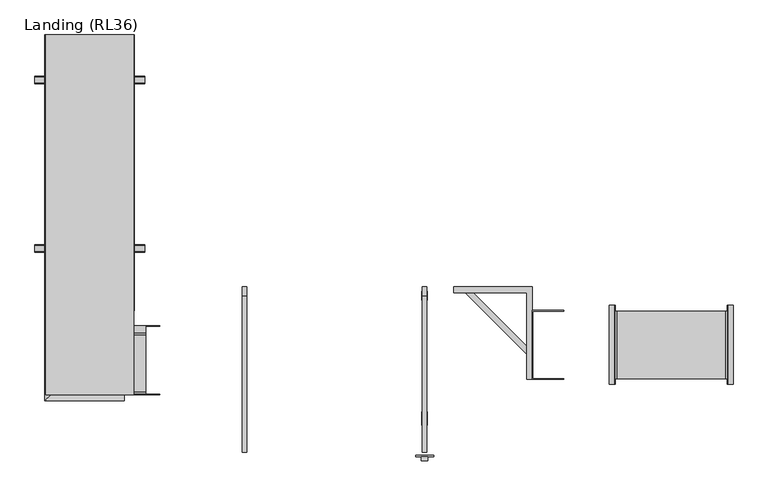
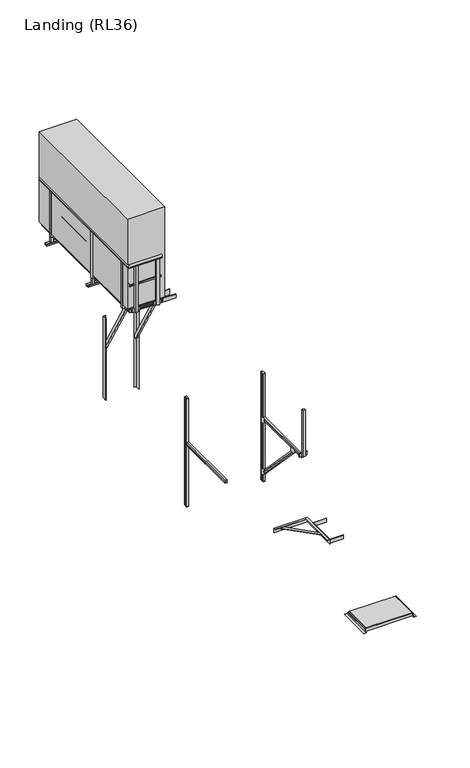
"""IFC4 building model written with IfcOpenShell, lengths in millimetres: proxy geometry, Landing (RL36)."""

from ifc_helpers import new_model, si_unit, frame, origin, origin_with_axes, place, context, project, spatial, polyline, circle_curve, ellipse_curve, outline, extrude, faceted_brep, source, transform, mapped, element, save
from ifc_brep_helpers import plane_surface, cylinder_surface, advanced_brep


def landing_rl36_e9280d30(model_context):
    return source(origin(), model_context, "Body", "SolidModel", [
        extrude(outline(polyline([(2743.3331634, 7.5), (2743.3331634, -593.5), (1743.3331634, -593.5), (1743.3331634, 7.5), (2743.3331634, 7.5)]), holes=[polyline([(1781.3331634, -30.5), (1781.3331634, -555.5), (2224.3331634, -555.5), (2224.3331634, -30.5), (1781.3331634, -30.5)]), polyline([(2705.3331634, -30.5), (2262.3331634, -30.5), (2262.3331634, -555.5), (2705.3331634, -555.5), (2705.3331634, -30.5)])]), origin_with_axes(), (0.0, 0.0, 1.0), 58.0),
        faceted_brep([(1740.3331634, -643.5, 3.0), (1743.3331634, -643.5, 3.0), (1743.3331634, -596.5, 50.0), (1740.3331634, -596.5, 50.0), (1743.3331634, 57.5, 3.0), (1740.3331634, 57.5, 3.0), (1740.3331634, 10.5, 50.0), (1743.3331634, 10.5, 50.0), (1693.3331634, 57.5, 0.0), (1693.3331634, 57.5, 3.0), (1743.3331634, 57.5, 0.0), (1693.3331634, -643.5, 0.0), (1743.3331634, -643.5, 0.0), (1693.3331634, -643.5, 3.0)], [[[0, 1, 2, 3]], [[4, 5, 6, 7]], [[8, 9, 5, 4, 10]], [[11, 12, 1, 0, 13]], [[9, 8, 11, 13]], [[5, 9, 13, 0]], [[5, 0, 3, 6]], [[6, 3, 2, 7]], [[12, 10, 4, 7, 2, 1]], [[8, 10, 12, 11]]]),
        faceted_brep([(2743.3331634, -643.5, 3.0), (2746.3331634, -643.5, 3.0), (2746.3331634, -596.5, 50.0), (2743.3331634, -596.5, 50.0), (2746.3331634, 57.5, 3.0), (2743.3331634, 57.5, 3.0), (2743.3331634, 10.5, 50.0), (2746.3331634, 10.5, 50.0), (2793.3331634, 57.5, 0.0), (2743.3331634, 57.5, 0.0), (2793.3331634, 57.5, 3.0), (2793.3331634, -643.5, 0.0), (2793.3331634, -643.5, 3.0), (2743.3331634, -643.5, 0.0)], [[[0, 1, 2, 3]], [[4, 5, 6, 7]], [[8, 9, 5, 4, 10]], [[11, 12, 1, 0, 13]], [[9, 8, 11, 13]], [[9, 13, 0, 3, 6, 5]], [[6, 3, 2, 7]], [[1, 4, 7, 2]], [[10, 4, 1, 12]], [[8, 10, 12, 11]]]),
        extrude(outline(polyline([(1761.3331634, 7.5), (2725.3331634, 7.5), (2725.3331634, -593.5), (1761.3331634, -593.5), (1761.3331634, 7.5)])), frame((0.0, 0.0, 58.0), z_axis=(0.0, 0.0, 1.0), x_axis=(1.0, 0.0, 0.0)), (0.0, 0.0, 1.0), 18.5),
        extrude(outline(polyline([(2725.3331634, 7.5), (2743.3331634, 7.5), (2743.3331634, -593.5), (2725.3331634, -593.5), (2725.3331634, 7.5)])), frame((0.0, 0.0, 58.0), z_axis=(0.0, 0.0, 1.0), x_axis=(1.0, 0.0, 0.0)), (0.0, 0.0, 1.0), 18.5),
        extrude(outline(polyline([(1743.3331634, 7.5), (1761.3331634, 7.5), (1761.3331634, -593.5), (1743.3331634, -593.5), (1743.3331634, 7.5)])), frame((0.0, 0.0, 58.0), z_axis=(0.0, 0.0, 1.0), x_axis=(1.0, 0.0, 0.0)), (0.0, 0.0, 1.0), 18.5),
        extrude(outline(polyline([(1287.548134, -599.5), (1007.548134, -599.5), (1007.548134, 13.5), (1287.548134, 13.5), (1287.548134, 7.5), (1013.548134, 7.5), (1013.548134, -593.5), (1287.548134, -593.5), (1287.548134, -599.5)])), frame((0.0, 0.0, 2220.0), z_axis=(0.0, 0.0, 1.0), x_axis=(1.0, 0.0, 0.0)), (0.0, 0.0, 1.0), 80.0),
        extrude(outline(polyline([(-56.0, 0.0), (-6.0, 0.0), (-6.0, -50.0000001), (-12.0, -50.0000001), (-12.0, -6.0), (-56.0, -6.0), (-56.0, 0.0)])), frame((1002.233559, -349.6854249, 2300.0), z_axis=(-0.707106781186546, 0.707106781186549, 0.0), x_axis=(0.0, 0.0, 1.0)), (0.0, 0.0, 1.0), 800.0),
        faceted_brep([(1007.548134, -599.5, 2300.0), (957.548134, -599.5, 2300.0), (957.548134, -599.5, 2294.0), (1001.548134, -599.5, 2294.0), (1001.548134, -599.5, 2200.0), (1007.548134, -599.5, 2200.0), (1007.548134, 222.0, 2300.0), (307.548134, 222.0, 2300.0), (307.548134, 172.0, 2300.0), (957.548134, 172.0, 2300.0), (957.548134, 172.0, 2294.0), (307.548134, 172.0, 2294.0), (307.548134, 216.0, 2294.0), (1001.548134, 216.0, 2294.0), (1001.548134, 216.0, 2200.0), (307.548134, 216.0, 2200.0), (307.548134, 222.0, 2200.0), (1007.548134, 222.0, 2200.0)], [[[0, 1, 2, 3, 4, 5]], [[1, 0, 6, 7, 8, 9]], [[2, 1, 9, 10]], [[3, 2, 10, 11, 12, 13]], [[4, 3, 13, 14]], [[5, 4, 14, 15, 16, 17]], [[0, 5, 17, 6]], [[7, 16, 15, 12, 11, 8]], [[10, 9, 8, 11]], [[14, 13, 12, 15]], [[6, 17, 16, 7]]]),
        extrude(outline(polyline([(-2675.1083547, -748.0), (-2675.1083547, -786.5), (-2733.6083547, -786.5), (-2733.6083547, -748.0), (-2675.1083547, -748.0)])), frame((0.0, 0.0, 8909.0), z_axis=(0.0, 0.0, 1.0), x_axis=(1.0, 0.0, 0.0)), (0.0, 0.0, 1.0), 1035.5),
        extrude(outline(polyline([(-2624.3583547, -748.0), (-2784.3583547, -748.0), (-2784.3583547, -738.0), (-2624.3583547, -738.0), (-2624.3583547, -748.0)])), frame((0.0, 0.0, 8904.0), z_axis=(0.0, 0.0, 1.0), x_axis=(1.0, 0.0, 0.0)), (0.0, 0.0, 1.0), 80.0),
        extrude(outline(polyline([(-3125.1083547, -748.0), (-3125.1083547, -786.5), (-3183.6083547, -786.5), (-3183.6083547, -748.0), (-3125.1083547, -748.0)])), frame((0.0, 0.0, 8909.0), z_axis=(0.0, 0.0, 1.0), x_axis=(1.0, 0.0, 0.0)), (0.0, 0.0, 1.0), 1035.5),
        extrude(outline(polyline([(-3074.3583547, -748.0), (-3234.3583547, -748.0), (-3234.3583547, -738.0), (-3074.3583547, -738.0), (-3074.3583547, -748.0)])), frame((0.0, 0.0, 8904.0), z_axis=(0.0, 0.0, 1.0), x_axis=(1.0, 0.0, 0.0)), (0.0, 0.0, 1.0), 80.0),
        extrude(outline(polyline([(-2634.3583547, 2161.25), (-2634.3583547, 2122.75), (-3224.3583547, 2122.75), (-3224.3583547, 2161.25), (-2634.3583547, 2161.25)])), frame((0.0, 0.0, 8925.5), z_axis=(0.0, 0.0, 1.0), x_axis=(1.0, 0.0, 0.0)), (0.0, 0.0, 1.0), 58.5),
        extrude(outline(polyline([(-3224.3583547, 2222.0), (-3224.3583547, 2062.0), (-3234.3583547, 2062.0), (-3234.3583547, 2222.0), (-3224.3583547, 2222.0)])), frame((0.0, 0.0, 8904.0), z_axis=(0.0, 0.0, 1.0), x_axis=(1.0, 0.0, 0.0)), (0.0, 0.0, 1.0), 80.0),
        extrude(outline(polyline([(-2624.3583547, 2222.0), (-2624.3583547, 2062.0), (-2634.3583547, 2062.0), (-2634.3583547, 2222.0), (-2624.3583547, 2222.0)])), frame((0.0, 0.0, 8904.0), z_axis=(0.0, 0.0, 1.0), x_axis=(1.0, 0.0, 0.0)), (0.0, 0.0, 1.0), 80.0),
        extrude(outline(polyline([(-2634.3583547, 1521.25), (-2634.3583547, 1482.75), (-3224.3583547, 1482.75), (-3224.3583547, 1521.25), (-2634.3583547, 1521.25)])), frame((0.0, 0.0, 8925.5), z_axis=(0.0, 0.0, 1.0), x_axis=(1.0, 0.0, 0.0)), (0.0, 0.0, 1.0), 58.5),
        extrude(outline(polyline([(-3224.3583547, 1582.0), (-3224.3583547, 1422.0), (-3234.3583547, 1422.0), (-3234.3583547, 1582.0), (-3224.3583547, 1582.0)])), frame((0.0, 0.0, 8904.0), z_axis=(0.0, 0.0, 1.0), x_axis=(1.0, 0.0, 0.0)), (0.0, 0.0, 1.0), 80.0),
        extrude(outline(polyline([(-2624.3583547, 1582.0), (-2624.3583547, 1422.0), (-2634.3583547, 1422.0), (-2634.3583547, 1582.0), (-2624.3583547, 1582.0)])), frame((0.0, 0.0, 8904.0), z_axis=(0.0, 0.0, 1.0), x_axis=(1.0, 0.0, 0.0)), (0.0, 0.0, 1.0), 80.0),
        extrude(outline(polyline([(-3282.8583547, -567.25), (-3321.3583547, -567.25), (-3321.3583547, -508.75), (-3282.8583547, -508.75), (-3282.8583547, -567.25)])), frame((0.0, 0.0, 8909.0), z_axis=(0.0, 0.0, 1.0), x_axis=(1.0, 0.0, 0.0)), (0.0, 0.0, 1.0), 1035.5),
        extrude(outline(polyline([(-3282.8583547, -618.0), (-3282.8583547, -458.0), (-3272.8583547, -458.0), (-3272.8583547, -618.0), (-3282.8583547, -618.0)])), frame((0.0, 0.0, 8904.0), z_axis=(0.0, 0.0, 1.0), x_axis=(1.0, 0.0, 0.0)), (0.0, 0.0, 1.0), 80.0),
        extrude(outline(polyline([(-3282.8583547, 2032.75), (-3321.3583547, 2032.75), (-3321.3583547, 2091.25), (-3282.8583547, 2091.25), (-3282.8583547, 2032.75)])), frame((0.0, 0.0, 8909.0), z_axis=(0.0, 0.0, 1.0), x_axis=(1.0, 0.0, 0.0)), (0.0, 0.0, 1.0), 1035.5),
        extrude(outline(polyline([(-3282.8583547, 1982.0), (-3282.8583547, 2142.0), (-3272.8583547, 2142.0), (-3272.8583547, 1982.0), (-3282.8583547, 1982.0)])), frame((0.0, 0.0, 8904.0), z_axis=(0.0, 0.0, 1.0), x_axis=(1.0, 0.0, 0.0)), (0.0, 0.0, 1.0), 80.0),
        extrude(outline(polyline([(-2575.8583547, 2091.25), (-2537.3583547, 2091.25), (-2537.3583547, 2032.75), (-2575.8583547, 2032.75), (-2575.8583547, 2091.25)])), frame((0.0, 0.0, 8909.0), z_axis=(0.0, 0.0, 1.0), x_axis=(1.0, 0.0, 0.0)), (0.0, 0.0, 1.0), 1035.5),
        extrude(outline(polyline([(-2575.8583547, 2142.0), (-2575.8583547, 1982.0), (-2585.8583547, 1982.0), (-2585.8583547, 2142.0), (-2575.8583547, 2142.0)])), frame((0.0, 0.0, 8904.0), z_axis=(0.0, 0.0, 1.0), x_axis=(1.0, 0.0, 0.0)), (0.0, 0.0, 1.0), 80.0),
        extrude(outline(polyline([(590.5, 8790.0), (594.5, 8790.0), (594.5, 8750.0), (529.5, 8750.0), (529.5, 8790.0), (533.5, 8790.0), (533.5, 8754.0), (590.5, 8754.0), (590.5, 8790.0)])), frame((-3416.8583547, 0.0, 0.0), z_axis=(1.0, 0.0, 0.0), x_axis=(0.0, 1.0, 0.0)), (0.0, 0.0, 1.0), 975.0),
        extrude(outline(polyline([(2090.5, 8790.0), (2094.5, 8790.0), (2094.5, 8750.0), (2029.5, 8750.0), (2029.5, 8790.0), (2033.5, 8790.0), (2033.5, 8754.0), (2090.5, 8754.0), (2090.5, 8790.0)])), frame((-3416.8583547, 0.0, 0.0), z_axis=(1.0, 0.0, 0.0), x_axis=(0.0, 1.0, 0.0)), (0.0, 0.0, 1.0), 975.0),
        extrude(outline(polyline([(-3316.8583547, 589.0), (-3282.8583547, 589.0), (-3282.8583547, 535.0), (-3316.8583547, 535.0), (-3316.8583547, 589.0)])), frame((0.0, 0.0, 8754.0), z_axis=(0.0, 0.0, 1.0), x_axis=(1.0, 0.0, 0.0)), (0.0, 0.0, 1.0), 230.0),
        extrude(outline(polyline([(-2575.8583547, 535.0), (-2575.8583547, 589.0), (-2541.8583547, 589.0), (-2541.8583547, 535.0), (-2575.8583547, 535.0)])), frame((0.0, 0.0, 8754.0), z_axis=(0.0, 0.0, 1.0), x_axis=(1.0, 0.0, 0.0)), (0.0, 0.0, 1.0), 230.0),
        extrude(outline(polyline([(-3316.8583547, 2035.0), (-3316.8583547, 2089.0), (-3282.8583547, 2089.0), (-3282.8583547, 2035.0), (-3316.8583547, 2035.0)])), frame((0.0, 0.0, 8754.0), z_axis=(0.0, 0.0, 1.0), x_axis=(1.0, 0.0, 0.0)), (0.0, 0.0, 1.0), 230.0),
        extrude(outline(polyline([(-2575.8583547, 2089.0), (-2541.8583547, 2089.0), (-2541.8583547, 2035.0), (-2575.8583547, 2035.0), (-2575.8583547, 2089.0)])), frame((0.0, 0.0, 8754.0), z_axis=(0.0, 0.0, 1.0), x_axis=(1.0, 0.0, 0.0)), (0.0, 0.0, 1.0), 230.0),
        extrude(outline(polyline([(-2634.3583547, 881.25), (-2634.3583547, 842.75), (-3224.3583547, 842.75), (-3224.3583547, 881.25), (-2634.3583547, 881.25)])), frame((0.0, 0.0, 8925.5), z_axis=(0.0, 0.0, 1.0), x_axis=(1.0, 0.0, 0.0)), (0.0, 0.0, 1.0), 58.5),
        extrude(outline(polyline([(-3224.3583547, 942.0), (-3224.3583547, 782.0), (-3234.3583547, 782.0), (-3234.3583547, 942.0), (-3224.3583547, 942.0)])), frame((0.0, 0.0, 8904.0), z_axis=(0.0, 0.0, 1.0), x_axis=(1.0, 0.0, 0.0)), (0.0, 0.0, 1.0), 80.0),
        extrude(outline(polyline([(-2624.3583547, 942.0), (-2624.3583547, 782.0), (-2634.3583547, 782.0), (-2634.3583547, 942.0), (-2624.3583547, 942.0)])), frame((0.0, 0.0, 8904.0), z_axis=(0.0, 0.0, 1.0), x_axis=(1.0, 0.0, 0.0)), (0.0, 0.0, 1.0), 80.0),
        extrude(outline(polyline([(-3282.8583547, 532.75), (-3321.3583547, 532.75), (-3321.3583547, 591.25), (-3282.8583547, 591.25), (-3282.8583547, 532.75)])), frame((0.0, 0.0, 8909.0), z_axis=(0.0, 0.0, 1.0), x_axis=(1.0, 0.0, 0.0)), (0.0, 0.0, 1.0), 1035.5),
        extrude(outline(polyline([(-3282.8583547, 482.0), (-3282.8583547, 642.0), (-3272.8583547, 642.0), (-3272.8583547, 482.0), (-3282.8583547, 482.0)])), frame((0.0, 0.0, 8904.0), z_axis=(0.0, 0.0, 1.0), x_axis=(1.0, 0.0, 0.0)), (0.0, 0.0, 1.0), 80.0),
        extrude(outline(polyline([(-2575.8583547, 591.25), (-2537.3583547, 591.25), (-2537.3583547, 532.75), (-2575.8583547, 532.75), (-2575.8583547, 591.25)])), frame((0.0, 0.0, 8909.0), z_axis=(0.0, 0.0, 1.0), x_axis=(1.0, 0.0, 0.0)), (0.0, 0.0, 1.0), 1035.5),
        extrude(outline(polyline([(-2575.8583547, 642.0), (-2575.8583547, 482.0), (-2585.8583547, 482.0), (-2585.8583547, 642.0), (-2575.8583547, 642.0)])), frame((0.0, 0.0, 8904.0), z_axis=(0.0, 0.0, 1.0), x_axis=(1.0, 0.0, 0.0)), (0.0, 0.0, 1.0), 80.0),
        extrude(outline(polyline([(-2634.3583547, 241.25), (-2634.3583547, 202.75), (-3224.3583547, 202.75), (-3224.3583547, 241.25), (-2634.3583547, 241.25)])), frame((0.0, 0.0, 8925.5), z_axis=(0.0, 0.0, 1.0), x_axis=(1.0, 0.0, 0.0)), (0.0, 0.0, 1.0), 58.5),
        extrude(outline(polyline([(-3224.3583547, 302.0), (-3224.3583547, 142.0), (-3234.3583547, 142.0), (-3234.3583547, 302.0), (-3224.3583547, 302.0)])), frame((0.0, 0.0, 8904.0), z_axis=(0.0, 0.0, 1.0), x_axis=(1.0, 0.0, 0.0)), (0.0, 0.0, 1.0), 80.0),
        extrude(outline(polyline([(-2624.3583547, 302.0), (-2624.3583547, 142.0), (-2634.3583547, 142.0), (-2634.3583547, 302.0), (-2624.3583547, 302.0)])), frame((0.0, 0.0, 8904.0), z_axis=(0.0, 0.0, 1.0), x_axis=(1.0, 0.0, 0.0)), (0.0, 0.0, 1.0), 80.0),
        extrude(outline(polyline([(-2634.3583547, -398.75), (-2634.3583547, -437.25), (-3224.3583547, -437.25), (-3224.3583547, -398.75), (-2634.3583547, -398.75)])), frame((0.0, 0.0, 8925.5), z_axis=(0.0, 0.0, 1.0), x_axis=(1.0, 0.0, 0.0)), (0.0, 0.0, 1.0), 58.5),
        extrude(outline(polyline([(-3224.3583547, -338.0), (-3224.3583547, -498.0), (-3234.3583547, -498.0), (-3234.3583547, -338.0), (-3224.3583547, -338.0)])), frame((0.0, 0.0, 8904.0), z_axis=(0.0, 0.0, 1.0), x_axis=(1.0, 0.0, 0.0)), (0.0, 0.0, 1.0), 80.0),
        extrude(outline(polyline([(-2624.3583547, -338.0), (-2624.3583547, -498.0), (-2634.3583547, -498.0), (-2634.3583547, -338.0), (-2624.3583547, -338.0)])), frame((0.0, 0.0, 8904.0), z_axis=(0.0, 0.0, 1.0), x_axis=(1.0, 0.0, 0.0)), (0.0, 0.0, 1.0), 80.0),
        extrude(outline(polyline([(-2644.8583547, -719.5), (-2644.8583547, -125.0), (-2429.8583547, -125.0), (-2429.8583547, -719.5), (-2644.8583547, -719.5)])), frame((0.0, 0.0, 8984.0), z_axis=(0.0, 0.0, 1.0), x_axis=(1.0, 0.0, 0.0)), (0.0, 0.0, 1.0), 16.0),
        extrude(outline(polyline([(-2585.8583547, -738.0), (-2585.8583547, -125.0), (-2305.8583547, -125.0), (-2305.8583547, -131.0), (-2579.8583547, -131.0), (-2579.8583547, -732.0), (-2305.8583547, -732.0), (-2305.8583547, -738.0), (-2585.8583547, -738.0)])), frame((0.0, 0.0, 8904.0), z_axis=(0.0, 0.0, 1.0), x_axis=(1.0, 0.0, 0.0)), (0.0, 0.0, 1.0), 80.0),
        extrude(outline(polyline([(-38.5, 0.0), (0.0, 0.0), (0.0, -60.0), (-38.5, -60.0), (-38.5, 0.0)])), frame((-2585.8583547, 222.0, 7587.6413862), z_axis=(0.0, -0.5000000000000009, 0.8660254037844382), x_axis=(1.0, 0.0, 0.0)), (0.0, 0.0, 1.0), 1520.0),
        extrude(outline(polyline([(38.5, 0.0), (38.5, -60.0), (0.0, -60.0), (0.0, 0.0), (38.5, 0.0)])), frame((-3272.8583547, 222.0, 7587.6413862), z_axis=(0.0, -0.5000000000000009, 0.8660254037844382), x_axis=(1.0, 0.0, 0.0)), (0.0, 0.0, 1.0), 1520.0),
        extrude(outline(polyline([(-3228.8583547, 222.0), (-3228.8583547, 216.0), (-3272.8583547, 216.0), (-3272.8583547, 122.0), (-3278.8583547, 122.0), (-3278.8583547, 222.0), (-3228.8583547, 222.0)])), frame((0.0, 0.0, 6450.0), z_axis=(0.0, 0.0, 1.0), x_axis=(1.0, 0.0, 0.0)), (0.0, 0.0, 1.0), 1800.0),
        extrude(outline(polyline([(-2629.8583547, 222.0), (-2579.8583547, 222.0), (-2579.8583547, 122.0), (-2585.8583547, 122.0), (-2585.8583547, 216.0), (-2629.8583547, 216.0), (-2629.8583547, 222.0)])), frame((0.0, 0.0, 6450.0), z_axis=(0.0, 0.0, 1.0), x_axis=(1.0, 0.0, 0.0)), (0.0, 0.0, 1.0), 1800.0),
        advanced_brep(
        [(-2535.3583547, 2462.0, 9951.43534), (-2577.3583547, 2462.0, 9951.43534), (-2577.3583547, 7.5, 9951.43534), (-2535.3583547, 7.5, 9951.43534), (-2535.3583547, 2462.0, 9933.0), (-2535.3583547, 7.5, 9933.0), (-2577.3583547, 2462.0, 9933.0), (-2577.3583547, 7.5, 9933.0)],
        [
            (0, 1, circle_curve(frame((-2556.3583547, 2462.0, 9965.0), z_axis=(0.0, -1.0, 0.0), x_axis=(1.0, 0.0, 0.0)), 25.0)),
            (1, 2),
            (2, 3, circle_curve(frame((-2556.3583547, 7.5, 9965.0), z_axis=(0.0, 1.0, 0.0), x_axis=(1.0, 0.0, 0.0)), 25.0)),
            (3, 0),
            (4, 0),
            (3, 5),
            (5, 4),
            (1, 6),
            (6, 7),
            (7, 2),
            (4, 6),
            (7, 5),
        ],
        [
            cylinder_surface(frame((-2556.3583547, 2562.0, 9965.0), z_axis=(0.0, 1.0, 0.0), x_axis=(1.0, 0.0, 0.0)), 25.0),
            plane_surface(frame((-2535.3583547, 2558.0, 9951.43534), z_axis=(1.0, 0.0, 0.0), x_axis=(0.0, -1.0, 0.0))),
            plane_surface(frame((-2577.3583547, 2516.0, 9933.0), z_axis=(-1.0, 0.0, 0.0), x_axis=(0.0, -1.0, 0.0))),
            plane_surface(frame((-3327.8583547, 2462.0, 10000.0), z_axis=(0.0, 1.0, 0.0), x_axis=(0.0, 0.0, -1.0))),
            plane_surface(frame((-2429.8583547, 7.5, 10000.0), z_axis=(0.0, -1.0, 0.0), x_axis=(0.0, 0.0, -1.0))),
            plane_surface(frame((-2429.8583547, -788.5, 9933.0), z_axis=(0.0, 0.0, -1.0), x_axis=(-1.0, 0.0, 0.0))),
        ],
        [
            (0, [[1, 2, 3, 4]]),
            (1, [[5, -4, 6, 7]]),
            (2, [[8, 9, 10, -2]]),
            (3, [[-1, -5, 11, -8]]),
            (4, [[-3, -10, 12, -6]]),
            (5, [[-11, -7, -12, -9]]),
        ],
    ),
        advanced_brep(
        [(-2575.8583547, 2462.0, 9512.5825217), (-2610.1583547, 2462.0, 9507.591183), (-2610.1583547, 7.5, 9507.591183), (-2575.8583547, 7.5, 9512.5825217), (-2575.8583547, 2462.0, 9487.8343903), (-2575.8583547, 7.5, 9487.8343903), (-2610.1583547, 2462.0, 9492.825729), (-2610.1583547, 7.5, 9492.825729), (-2606.1583547, 2462.0, 9507.591183), (-2606.1583547, 2462.0, 9492.825729), (-2606.1583547, 7.5, 9492.825729), (-2606.1583547, 7.5, 9507.591183)],
        [
            (0, 1, circle_curve(frame((-2591.5708497, 2462.0, 9500.208456), z_axis=(0.0, -1.0, 0.0), x_axis=(1.0, 0.0, 0.0)), 20.0)),
            (1, 2),
            (2, 3, circle_curve(frame((-2591.5708497, 7.5, 9500.208456), z_axis=(0.0, 1.0, 0.0), x_axis=(1.0, 0.0, 0.0)), 20.0)),
            (3, 0),
            (4, 0),
            (3, 5),
            (5, 4),
            (6, 4, circle_curve(frame((-2591.5708497, 2462.0, 9500.208456), z_axis=(0.0, -1.0, 0.0), x_axis=(1.0, 0.0, 0.0)), 20.0)),
            (5, 7, circle_curve(frame((-2591.5708497, 7.5, 9500.208456), z_axis=(0.0, 1.0, 0.0), x_axis=(1.0, 0.0, 0.0)), 20.0)),
            (7, 6),
            (8, 9),
            (9, 10),
            (10, 11),
            (11, 8),
            (6, 9),
            (8, 1),
            (2, 11),
            (10, 7),
        ],
        [
            cylinder_surface(frame((-2591.5708497, 2562.0, 9500.208456), z_axis=(0.0, 1.0, 0.0), x_axis=(1.0, 0.0, 0.0)), 20.0),
            plane_surface(frame((-2575.8583547, 2517.5, 9512.5825217), z_axis=(1.0, 0.0, 0.0), x_axis=(0.0, -1.0, 0.0))),
            plane_surface(frame((-2606.1583547, 2487.2, 9492.825729), z_axis=(-1.0, 0.0, 0.0), x_axis=(0.0, -1.0, 0.0))),
            plane_surface(frame((-3327.8583547, 2462.0, 10000.0), z_axis=(0.0, 1.0, 0.0), x_axis=(0.0, 0.0, -1.0))),
            plane_surface(frame((-2429.8583547, 7.5, 10000.0), z_axis=(0.0, -1.0, 0.0), x_axis=(0.0, 0.0, -1.0))),
            plane_surface(frame((-2429.8583547, -713.7, 9492.825729), z_axis=(0.0, 0.0, 1.0), x_axis=(-1.0, 0.0, 0.0))),
            plane_surface(frame((-2429.8583547, -717.7, 9507.591183), z_axis=(0.0, 0.0, -1.0), x_axis=(-1.0, 0.0, 0.0))),
        ],
        [
            (0, [[1, 2, 3, 4]]),
            (1, [[5, -4, 6, 7]]),
            (0, [[8, -7, 9, 10]]),
            (2, [[11, 12, 13, 14]]),
            (3, [[-1, -5, -8, 15, -11, 16]]),
            (4, [[-3, 17, -13, 18, -9, -6]]),
            (5, [[-15, -10, -18, -12]]),
            (6, [[-16, -14, -17, -2]]),
        ],
    ),
        faceted_brep([(-2595.8583547, -189.5, 9126.0), (-2595.8583547, -189.5, 9006.0), (-2595.8583547, 2462.0, 9006.0), (-2595.8583547, 2462.0, 9126.0), (-2595.8583547, 7.5, 9126.0), (-2608.8583547, -202.5, 9006.0), (-2608.8583547, -202.5, 9126.0), (-2608.8583547, 7.5, 9126.0), (-2608.8583547, 2462.0, 9126.0), (-2608.8583547, 2462.0, 9006.0), (-2429.8583547, -202.5, 9126.0), (-2429.8583547, -189.5, 9126.0), (-2429.8583547, -189.5, 9006.0), (-2429.8583547, -202.5, 9006.0)], [[[0, 1, 2, 3, 4]], [[5, 6, 7, 8, 9]], [[3, 2, 9, 8]], [[6, 10, 11, 0, 4, 3, 8, 7]], [[1, 12, 13, 5, 9, 2]], [[11, 10, 13, 12]], [[1, 0, 11, 12]], [[6, 5, 13, 10]]]),
        advanced_brep(
        [(-3281.3583547, -746.5, 9951.43534), (-3323.3583547, -788.5, 9951.43534), (-2624.3583547, -788.5, 9951.43534), (-2624.3583547, -792.5, 9965.0), (-2624.3583547, -746.5, 9951.43534), (-3323.3583547, -788.5, 9933.0), (-2624.3583547, -788.5, 9933.0), (-3281.3583547, -746.5, 9933.0), (-2624.3583547, -746.5, 9933.0), (-3281.3583547, 2462.0, 9951.43534), (-3323.3583547, 2462.0, 9951.43534), (-3323.3583547, 2462.0, 9933.0), (-3281.3583547, 2462.0, 9933.0)],
        [
            (0, 1, ellipse_curve(frame((-3302.3583547, -767.5, 9965.0), z_axis=(0.7071067811865475, -0.7071067811865475, 0.0), x_axis=(0.7071067811865476, 0.7071067811865474, 0.0)), 35.3553391, 25.0)),
            (1, 2),
            (2, 3, circle_curve(frame((-2624.3583547, -767.5, 9965.0), z_axis=(-1.0, 0.0, 0.0), x_axis=(0.0, -1.0, 0.0)), 25.0)),
            (3, 4, circle_curve(frame((-2624.3583547, -767.5, 9965.0), z_axis=(-1.0, 0.0, 0.0), x_axis=(0.0, -1.0, 0.0)), 25.0)),
            (4, 0),
            (1, 5),
            (5, 6),
            (6, 2),
            (7, 0),
            (4, 8),
            (8, 7),
            (0, 9),
            (9, 10, circle_curve(frame((-3302.3583547, 2462.0, 9965.0), z_axis=(0.0, -1.0, 0.0), x_axis=(-1.0, 0.0, 0.0)), 25.0)),
            (10, 1),
            (10, 11),
            (11, 5),
            (7, 12),
            (12, 9),
            (12, 11),
            (6, 8),
        ],
        [
            cylinder_surface(frame((-2429.8583547, -767.5, 9965.0), z_axis=(1.0, 0.0, 0.0), x_axis=(0.0, -1.0, 0.0)), 25.0),
            plane_surface(frame((-2429.8583547, -788.5, 9951.43534), z_axis=(0.0, -1.0, 0.0), x_axis=(-1.0, 0.0, 0.0))),
            plane_surface(frame((-2429.8583547, -746.5, 9933.0), z_axis=(0.0, 1.0, 0.0), x_axis=(-1.0, 0.0, 0.0))),
            cylinder_surface(frame((-3302.3583547, -792.5, 9965.0), z_axis=(0.0, -1.0, 0.0), x_axis=(-1.0, 0.0, 0.0)), 25.0),
            plane_surface(frame((-3323.3583547, -788.5, 9951.43534), z_axis=(-1.0, 0.0, 0.0), x_axis=(0.0, 1.0, 0.0))),
            plane_surface(frame((-3281.3583547, -746.5, 9933.0), z_axis=(1.0, 0.0, 0.0), x_axis=(0.0, 1.0, 0.0))),
            plane_surface(frame((-3327.8583547, 2462.0, 10000.0), z_axis=(0.0, 1.0, 0.0), x_axis=(0.0, 0.0, -1.0))),
            plane_surface(frame((-2624.3583547, 7.5, 10000.0), z_axis=(1.0, 0.0, 0.0), x_axis=(0.0, 0.0, -1.0))),
            plane_surface(frame((-2429.8583547, -788.5, 9933.0), z_axis=(0.0, 0.0, -1.0), x_axis=(-1.0, 0.0, 0.0))),
        ],
        [
            (0, [[1, 2, 3, 4, 5]]),
            (1, [[6, 7, 8, -2]]),
            (2, [[9, -5, 10, 11]]),
            (3, [[-1, 12, 13, 14]]),
            (4, [[-6, -14, 15, 16]]),
            (5, [[-9, 17, 18, -12]]),
            (6, [[19, -15, -13, -18]]),
            (7, [[-4, -3, -8, 20, -10]]),
            (8, [[-16, -19, -17, -11, -20, -7]]),
        ],
    ),
        advanced_brep(
        [(-3248.5583547, -713.7, 9507.591183), (-3282.8583547, -748.0, 9512.5825217), (-2624.3583547, -748.0, 9512.5825217), (-2624.3583547, -713.7, 9507.591183), (-3282.8583547, -748.0, 9487.8343903), (-2624.3583547, -748.0, 9487.8343903), (-3248.5583547, -713.7, 9492.825729), (-2624.3583547, -713.7, 9492.825729), (-3252.5583547, -717.7, 9492.825729), (-3252.5583547, -717.7, 9507.591183), (-2624.3583547, -717.7, 9507.591183), (-2624.3583547, -717.7, 9492.825729), (-3248.5583547, 2462.0, 9507.591183), (-3282.8583547, 2462.0, 9512.5825217), (-3282.8583547, 2462.0, 9487.8343903), (-3248.5583547, 2462.0, 9492.825729), (-3252.5583547, 2462.0, 9492.825729), (-3252.5583547, 2462.0, 9507.591183)],
        [
            (0, 1, ellipse_curve(frame((-3267.1458597, -732.287505, 9500.208456), z_axis=(0.7071067811865475, -0.7071067811865475, 0.0), x_axis=(0.7071067811865476, 0.7071067811865474, 0.0)), 28.2842712, 20.0)),
            (1, 2),
            (2, 3, circle_curve(frame((-2624.3583547, -732.287505, 9500.208456), z_axis=(-1.0, 0.0, 0.0), x_axis=(0.0, -1.0, 0.0)), 20.0)),
            (3, 0),
            (1, 4),
            (4, 5),
            (5, 2),
            (4, 6, ellipse_curve(frame((-3267.1458597, -732.287505, 9500.208456), z_axis=(0.7071067811865475, -0.7071067811865475, 0.0), x_axis=(0.7071067811865476, 0.7071067811865474, 0.0)), 28.2842712, 20.0)),
            (6, 7),
            (7, 5, circle_curve(frame((-2624.3583547, -732.287505, 9500.208456), z_axis=(-1.0, 0.0, 0.0), x_axis=(0.0, -1.0, 0.0)), 20.0)),
            (8, 9),
            (9, 10),
            (10, 11),
            (11, 8),
            (0, 12),
            (12, 13, circle_curve(frame((-3267.1458597, 2462.0, 9500.208456), z_axis=(0.0, -1.0, 0.0), x_axis=(-1.0, 0.0, 0.0)), 20.0)),
            (13, 1),
            (13, 14),
            (14, 4),
            (14, 15, circle_curve(frame((-3267.1458597, 2462.0, 9500.208456), z_axis=(0.0, -1.0, 0.0), x_axis=(-1.0, 0.0, 0.0)), 20.0)),
            (15, 6),
            (8, 16),
            (16, 17),
            (17, 9),
            (16, 15),
            (12, 17),
            (7, 11),
            (10, 3),
        ],
        [
            cylinder_surface(frame((-2429.8583547, -732.287505, 9500.208456), z_axis=(1.0, 0.0, 0.0), x_axis=(0.0, -1.0, 0.0)), 20.0),
            plane_surface(frame((-2429.8583547, -748.0, 9512.5825217), z_axis=(0.0, -1.0, 0.0), x_axis=(-1.0, 0.0, 0.0))),
            plane_surface(frame((-2429.8583547, -717.7, 9492.825729), z_axis=(0.0, 1.0, 0.0), x_axis=(-1.0, 0.0, 0.0))),
            cylinder_surface(frame((-3267.1458597, -792.5, 9500.208456), z_axis=(0.0, -1.0, 0.0), x_axis=(-1.0, 0.0, 0.0)), 20.0),
            plane_surface(frame((-3282.8583547, -748.0, 9512.5825217), z_axis=(-1.0, 0.0, 0.0), x_axis=(0.0, 1.0, 0.0))),
            plane_surface(frame((-3252.5583547, -717.7, 9492.825729), z_axis=(1.0, 0.0, 0.0), x_axis=(0.0, 1.0, 0.0))),
            plane_surface(frame((-3327.8583547, 2462.0, 10000.0), z_axis=(0.0, 1.0, 0.0), x_axis=(0.0, 0.0, -1.0))),
            plane_surface(frame((-2624.3583547, 7.5, 10000.0), z_axis=(1.0, 0.0, 0.0), x_axis=(0.0, 0.0, -1.0))),
            plane_surface(frame((-2429.8583547, -713.7, 9492.825729), z_axis=(0.0, 0.0, 1.0), x_axis=(-1.0, 0.0, 0.0))),
            plane_surface(frame((-2429.8583547, -717.7, 9507.591183), z_axis=(0.0, 0.0, -1.0), x_axis=(-1.0, 0.0, 0.0))),
        ],
        [
            (0, [[1, 2, 3, 4]]),
            (1, [[5, 6, 7, -2]]),
            (0, [[8, 9, 10, -6]]),
            (2, [[11, 12, 13, 14]]),
            (3, [[-1, 15, 16, 17]]),
            (4, [[-5, -17, 18, 19]]),
            (3, [[-8, -19, 20, 21]]),
            (5, [[-11, 22, 23, 24]]),
            (6, [[25, -20, -18, -16, 26, -23]]),
            (7, [[-3, -7, -10, 27, -13, 28]]),
            (8, [[-21, -25, -22, -14, -27, -9]]),
            (9, [[-24, -26, -15, -4, -28, -12]]),
        ],
    ),
        faceted_brep([(-2429.8583547, -728.0, 9006.0), (-2429.8583547, -728.0, 9126.0), (-2624.3583547, -728.0, 9126.0), (-3262.8583547, -728.0, 9126.0), (-3262.8583547, -728.0, 9006.0), (-2429.8583547, -715.0, 9126.0), (-2429.8583547, -715.0, 9006.0), (-3249.8583547, -715.0, 9006.0), (-3249.8583547, -715.0, 9126.0), (-2624.3583547, -715.0, 9126.0), (-3262.8583547, 2462.0, 9126.0), (-3262.8583547, 2462.0, 9006.0), (-3249.8583547, 2462.0, 9006.0), (-3249.8583547, 2462.0, 9126.0)], [[[0, 1, 2, 3, 4]], [[5, 6, 7, 8, 9]], [[4, 3, 10, 11]], [[8, 7, 12, 13]], [[10, 13, 12, 11]], [[5, 1, 0, 6]], [[1, 5, 9, 8, 13, 10, 3, 2]], [[6, 0, 4, 11, 12, 7]]]),
        faceted_brep([(-3234.3583547, 2459.0, 8984.0), (-3272.8583547, 2459.0, 8984.0), (-3272.8583547, -735.0, 8984.0), (-3234.3583547, -735.0, 8984.0), (-3234.3583547, -738.0, 8984.0), (-2624.3583547, -738.0, 8984.0), (-2624.3583547, -735.0, 8984.0), (-2585.8583547, -735.0, 8984.0), (-2585.8583547, 2459.0, 8984.0), (-2624.3583547, 2459.0, 8984.0), (-2624.3583547, 2462.0, 8984.0), (-3234.3583547, 2462.0, 8984.0), (-2624.3583547, 2423.5, 8984.0), (-2624.3583547, -699.5, 8984.0), (-3234.3583547, -699.5, 8984.0), (-3234.3583547, 2423.5, 8984.0), (-3234.3583547, 2459.0, 8904.0), (-3234.3583547, 2462.0, 8904.0), (-2624.3583547, 2462.0, 8904.0), (-2624.3583547, 2459.0, 8904.0), (-2585.8583547, 2459.0, 8904.0), (-2585.8583547, -735.0, 8904.0), (-2624.3583547, -735.0, 8904.0), (-2624.3583547, -738.0, 8904.0), (-3234.3583547, -738.0, 8904.0), (-3234.3583547, -735.0, 8904.0), (-3272.8583547, -735.0, 8904.0), (-3272.8583547, 2459.0, 8904.0), (-2624.3583547, 2423.5, 8904.0), (-3234.3583547, 2423.5, 8904.0), (-3234.3583547, -699.5, 8904.0), (-2624.3583547, -699.5, 8904.0), (-3234.3583547, 2459.0, 8977.0), (-3272.8583547, 2459.0, 8977.0), (-3272.8583547, 2459.0, 8911.0), (-3234.3583547, 2459.0, 8911.0), (-3234.3583547, 2459.0, 8967.0), (-3234.3583547, 2459.0, 8949.0), (-3272.8583547, 2459.0, 8949.0), (-3272.8583547, 2459.0, 8967.0), (-3234.3583547, 2459.0, 8939.0), (-3234.3583547, 2459.0, 8921.0), (-3272.8583547, 2459.0, 8921.0), (-3272.8583547, 2459.0, 8939.0), (-3272.8583547, -735.0, 8977.0), (-3272.8583547, -735.0, 8911.0), (-3272.8583547, -735.0, 8949.0), (-3272.8583547, -735.0, 8967.0), (-3272.8583547, -735.0, 8921.0), (-3272.8583547, -735.0, 8939.0), (-2624.3583547, -735.0, 8977.0), (-2585.8583547, -735.0, 8977.0), (-2585.8583547, -735.0, 8911.0), (-2624.3583547, -735.0, 8911.0), (-2624.3583547, -735.0, 8967.0), (-2624.3583547, -735.0, 8949.0), (-2585.8583547, -735.0, 8949.0), (-2585.8583547, -735.0, 8967.0), (-2624.3583547, -735.0, 8939.0), (-2624.3583547, -735.0, 8921.0), (-2585.8583547, -735.0, 8921.0), (-2585.8583547, -735.0, 8939.0), (-2585.8583547, 2459.0, 8977.0), (-2585.8583547, 2459.0, 8911.0), (-2585.8583547, 2459.0, 8949.0), (-2585.8583547, 2459.0, 8967.0), (-2585.8583547, 2459.0, 8921.0), (-2585.8583547, 2459.0, 8939.0), (-3234.3583547, -735.0, 8977.0), (-3234.3583547, -735.0, 8911.0), (-3234.3583547, -735.0, 8949.0), (-3234.3583547, -735.0, 8967.0), (-3234.3583547, -735.0, 8921.0), (-3234.3583547, -735.0, 8939.0), (-3234.3583547, -738.0, 8977.0), (-3234.3583547, -738.0, 8911.0), (-3234.3583547, -738.0, 8949.0), (-3234.3583547, -738.0, 8967.0), (-3234.3583547, -738.0, 8921.0), (-3234.3583547, -738.0, 8939.0), (-2624.3583547, -738.0, 8977.0), (-2624.3583547, -738.0, 8911.0), (-2624.3583547, -738.0, 8949.0), (-2624.3583547, -738.0, 8967.0), (-2624.3583547, -738.0, 8921.0), (-2624.3583547, -738.0, 8939.0), (-2624.3583547, 2459.0, 8977.0), (-2624.3583547, 2459.0, 8911.0), (-2624.3583547, 2459.0, 8949.0), (-2624.3583547, 2459.0, 8967.0), (-2624.3583547, 2459.0, 8921.0), (-2624.3583547, 2459.0, 8939.0), (-2624.3583547, 2462.0, 8977.0), (-2624.3583547, 2462.0, 8911.0), (-2624.3583547, 2462.0, 8949.0), (-2624.3583547, 2462.0, 8967.0), (-2624.3583547, 2462.0, 8921.0), (-2624.3583547, 2462.0, 8939.0), (-3234.3583547, 2462.0, 8977.0), (-3234.3583547, 2462.0, 8911.0), (-3234.3583547, 2462.0, 8949.0), (-3234.3583547, 2462.0, 8967.0), (-3234.3583547, 2462.0, 8921.0), (-3234.3583547, 2462.0, 8939.0), (-2598.8583547, 2449.0, 8977.0), (-2598.8583547, -725.0, 8977.0), (-2598.8583547, -725.0, 8967.0), (-2598.8583547, 2449.0, 8967.0), (-2598.8583547, 2449.0, 8921.0), (-2598.8583547, -725.0, 8921.0), (-2598.8583547, -725.0, 8911.0), (-2598.8583547, 2449.0, 8911.0), (-3259.8583547, -725.0, 8977.0), (-3259.8583547, -725.0, 8967.0), (-3259.8583547, -725.0, 8921.0), (-3259.8583547, -725.0, 8911.0), (-3259.8583547, 2449.0, 8977.0), (-3259.8583547, 2449.0, 8967.0), (-3259.8583547, 2449.0, 8921.0), (-3259.8583547, 2449.0, 8911.0), (-2598.8583547, 2449.0, 8949.0), (-2598.8583547, -725.0, 8949.0), (-2598.8583547, -725.0, 8939.0), (-2598.8583547, 2449.0, 8939.0), (-3259.8583547, -725.0, 8949.0), (-3259.8583547, -725.0, 8939.0), (-3259.8583547, 2449.0, 8949.0), (-3259.8583547, 2449.0, 8939.0)], [[[0, 1, 2, 3, 4, 5, 6, 7, 8, 9, 10, 11], [12, 13, 14, 15]], [[16, 17, 18, 19, 20, 21, 22, 23, 24, 25, 26, 27], [28, 29, 30, 31]], [[1, 0, 32, 33]], [[16, 27, 34, 35]], [[36, 37, 38, 39]], [[40, 41, 42, 43]], [[2, 1, 33, 44]], [[27, 26, 45, 34]], [[39, 38, 46, 47]], [[43, 42, 48, 49]], [[7, 6, 50, 51]], [[22, 21, 52, 53]], [[54, 55, 56, 57]], [[58, 59, 60, 61]], [[8, 7, 51, 62]], [[21, 20, 63, 52]], [[57, 56, 64, 65]], [[61, 60, 66, 67]], [[13, 12, 28, 31]], [[14, 13, 31, 30]], [[15, 14, 30, 29]], [[12, 15, 29, 28]], [[3, 2, 44, 68]], [[26, 25, 69, 45]], [[47, 46, 70, 71]], [[49, 48, 72, 73]], [[4, 3, 68, 74]], [[25, 24, 75, 69]], [[71, 70, 76, 77]], [[73, 72, 78, 79]], [[5, 4, 74, 80]], [[24, 23, 81, 75]], [[77, 76, 82, 83]], [[79, 78, 84, 85]], [[6, 5, 80, 50]], [[23, 22, 53, 81]], [[55, 54, 83, 82]], [[59, 58, 85, 84]], [[9, 8, 62, 86]], [[20, 19, 87, 63]], [[65, 64, 88, 89]], [[67, 66, 90, 91]], [[10, 9, 86, 92]], [[19, 18, 93, 87]], [[89, 88, 94, 95]], [[91, 90, 96, 97]], [[11, 10, 92, 98]], [[18, 17, 99, 93]], [[95, 94, 100, 101]], [[97, 96, 102, 103]], [[0, 11, 98, 32]], [[17, 16, 35, 99]], [[37, 36, 101, 100]], [[41, 40, 103, 102]], [[104, 105, 106, 107]], [[108, 109, 110, 111]], [[106, 105, 112, 113]], [[110, 109, 114, 115]], [[113, 112, 116, 117]], [[115, 114, 118, 119]], [[33, 32, 98, 92, 86, 62, 51, 50, 80, 74, 68, 44], [105, 104, 116, 112]], [[36, 39, 47, 71, 77, 83, 54, 57, 65, 89, 95, 101], [107, 106, 113, 117]], [[104, 107, 117, 116]], [[42, 41, 102, 96, 90, 66, 60, 59, 84, 78, 72, 48], [109, 108, 118, 114]], [[35, 34, 45, 69, 75, 81, 53, 52, 63, 87, 93, 99], [111, 110, 115, 119]], [[108, 111, 119, 118]], [[120, 121, 122, 123]], [[122, 121, 124, 125]], [[125, 124, 126, 127]], [[38, 37, 100, 94, 88, 64, 56, 55, 82, 76, 70, 46], [121, 120, 126, 124]], [[40, 43, 49, 73, 79, 85, 58, 61, 67, 91, 97, 103], [123, 122, 125, 127]], [[120, 123, 127, 126]]]),
        extrude(outline(polyline([(-2585.8583547, 2462.0), (-2585.8583547, -125.0), (-2644.8583547, -125.0), (-2644.8583547, 2443.5), (-3213.8583547, 2443.5), (-3213.8583547, -719.5), (-2429.8583547, -719.5), (-2429.8583547, -738.0), (-3272.8583547, -738.0), (-3272.8583547, 2462.0), (-2585.8583547, 2462.0)])), frame((0.0, 0.0, 8984.0), z_axis=(0.0, 0.0, 1.0), x_axis=(1.0, 0.0, 0.0)), (0.0, 0.0, 1.0), 19.0),
        extrude(outline(polyline([(-2644.8583547, 2443.5), (-2644.8583547, -719.5), (-3213.8583547, -719.5), (-3213.8583547, 2443.5), (-2644.8583547, 2443.5)])), frame((0.0, 0.0, 8984.0), z_axis=(0.0, 0.0, 1.0), x_axis=(1.0, 0.0, 0.0)), (0.0, 0.0, 1.0), 16.0),
        extrude(outline(polyline([(-3272.8583547, 2462.0), (-3234.3583547, 2462.0), (-3234.3583547, 2459.0), (-3272.8583547, 2459.0), (-3272.8583547, 2462.0)])), frame((0.0, 0.0, 8904.0), z_axis=(0.0, 0.0, 1.0), x_axis=(1.0, 0.0, 0.0)), (0.0, 0.0, 1.0), 80.0),
        extrude(outline(polyline([(-2624.3583547, 2462.0), (-2585.8583547, 2462.0), (-2585.8583547, 2459.0), (-2624.3583547, 2459.0), (-2624.3583547, 2462.0)])), frame((0.0, 0.0, 8904.0), z_axis=(0.0, 0.0, 1.0), x_axis=(1.0, 0.0, 0.0)), (0.0, 0.0, 1.0), 80.0),
        extrude(outline(polyline([(-3234.3583547, -738.0), (-3272.8583547, -738.0), (-3272.8583547, -735.0), (-3234.3583547, -735.0), (-3234.3583547, -738.0)])), frame((0.0, 0.0, 8904.0), z_axis=(0.0, 0.0, 1.0), x_axis=(1.0, 0.0, 0.0)), (0.0, 0.0, 1.0), 80.0),
        extrude(outline(polyline([(-2585.8583547, -738.0), (-2624.3583547, -738.0), (-2624.3583547, -735.0), (-2585.8583547, -735.0), (-2585.8583547, -738.0)])), frame((0.0, 0.0, 8904.0), z_axis=(0.0, 0.0, 1.0), x_axis=(1.0, 0.0, 0.0)), (0.0, 0.0, 1.0), 80.0),
        extrude(outline(polyline([(-2537.8583547, 2462.0), (-2537.8583547, -738.0), (-3320.8583547, -738.0), (-3320.8583547, 2462.0), (-2537.8583547, 2462.0)])), frame((0.0, 0.0, 9000.0), z_axis=(0.0, 0.0, 1.0), x_axis=(1.0, 0.0, 0.0)), (0.0, 0.0, 1.0), 2000.0),
        extrude(outline(polyline([(19.3353144, -1288.0), (77.8353144, -1288.0), (77.8353144, -1326.5), (19.3353144, -1326.5), (19.3353144, -1288.0)])), frame((0.0, 0.0, 4909.0), z_axis=(0.0, 0.0, 1.0), x_axis=(1.0, 0.0, 0.0)), (0.0, 0.0, 1.0), 1035.5),
        extrude(outline(polyline([(-31.4146856, -1288.0), (-31.4146856, -1278.0), (128.5853144, -1278.0), (128.5853144, -1288.0), (-31.4146856, -1288.0)])), frame((0.0, 0.0, 4904.0), z_axis=(0.0, 0.0, 1.0), x_axis=(1.0, 0.0, 0.0)), (0.0, 0.0, 1.0), 80.0),
        extrude(outline(polyline([(29.3353144, 222.0), (67.8353144, 222.0), (67.8353144, 142.0), (29.3353144, 142.0), (29.3353144, 222.0)])), frame((0.0, 0.0, 3471.1412976), z_axis=(0.0, 0.0, 1.0), x_axis=(1.0, 0.0, 0.0)), (0.0, 0.0, 1.0), 5.0),
        extrude(outline(polyline([(29.3353144, 222.0), (67.8353144, 222.0), (67.8353144, 142.0), (29.3353144, 142.0), (29.3353144, 222.0)])), frame((0.0, 0.0, 5866.1412976), z_axis=(0.0, 0.0, 1.0), x_axis=(1.0, 0.0, 0.0)), (0.0, 0.0, 1.0), 5.0),
        extrude(outline(polyline([(4841.8912976, 67.8353144), (4865.8912976, 67.8353144), (4865.8912976, 63.8353144), (4876.3912976, 63.8353144), (4876.3912976, 67.8353144), (4904.0, 67.8353144), (4904.0, 29.3353144), (4876.3912976, 29.3353144), (4876.3912976, 33.3353144), (4865.8912976, 33.3353144), (4865.8912976, 29.3353144), (4841.8912976, 29.3353144), (4841.8912976, 67.8353144)])), frame((0.0, -1248.0, 0.0), z_axis=(0.0, 1.0, 0.0), x_axis=(0.0, 0.0, 1.0)), (0.0, 0.0, 1.0), 1390.0),
        extrude(outline(polyline([(29.3353144, 187.25), (29.3353144, 204.5), (42.3353144, 204.5), (42.3353144, 215.0), (29.3353144, 215.0), (29.3353144, 222.0), (67.8353144, 222.0), (67.8353144, 215.0), (54.8353144, 215.0), (54.8353144, 204.5), (67.8353144, 204.5), (67.8353144, 187.25), (54.8353144, 187.25), (54.8353144, 176.75), (67.8353144, 176.75), (67.8353144, 159.5), (54.8353144, 159.5), (54.8353144, 149.0), (67.8353144, 149.0), (67.8353144, 142.0), (29.3353144, 142.0), (29.3353144, 149.0), (42.3353144, 149.0), (42.3353144, 159.5), (29.3353144, 159.5), (29.3353144, 176.75), (42.3353144, 176.75), (42.3353144, 187.25), (29.3353144, 187.25)])), frame((0.0, 0.0, 3476.1412976), z_axis=(0.0, 0.0, 1.0), x_axis=(1.0, 0.0, 0.0)), (0.0, 0.0, 1.0), 2390.0),
        faceted_brep([(67.8353144, 123.4263393, 3650.8567388), (29.3353144, 123.4263393, 3650.8567388), (29.3353144, 140.7175481, 3667.5004794), (33.3353144, 140.7175481, 3667.5004794), (33.3353144, 148.2824519, 3674.7821159), (29.3353144, 148.2824519, 3674.7821159), (29.3353144, 165.5736607, 3691.4258565), (67.8353144, 165.5736607, 3691.4258565), (67.8353144, 148.2824519, 3674.7821159), (63.8353144, 148.2824519, 3674.7821159), (63.8353144, 140.7175481, 3667.5004794), (67.8353144, 140.7175481, 3667.5004794), (67.8353144, -983.0891868, 4801.2106317), (67.8353144, -965.3553906, 4817.381979), (63.8353144, -965.3553906, 4817.381979), (63.8353144, -957.5968548, 4824.4569434), (67.8353144, -957.5968548, 4824.4569434), (67.8353144, -939.8630585, 4840.6282906), (29.3353144, -939.8630585, 4840.6282906), (29.3353144, -957.5968548, 4824.4569434), (33.3353144, -957.5968548, 4824.4569434), (33.3353144, -965.3553906, 4817.381979), (29.3353144, -965.3553906, 4817.381979), (29.3353144, -983.0891868, 4801.2106317), (67.8353144, -951.8315568, 4802.5514945), (67.8353144, -969.3472449, 4786.140966), (63.8353144, -951.8315568, 4802.5514945), (63.8353144, -944.1684432, 4809.7311008), (67.8353144, -944.1684432, 4809.7311008), (67.8353144, -926.6527551, 4826.1416293), (29.3353144, -926.6527551, 4826.1416293), (29.3353144, -944.1684432, 4809.7311008), (33.3353144, -944.1684432, 4809.7311008), (33.3353144, -951.8315568, 4802.5514945), (29.3353144, -951.8315568, 4802.5514945), (29.3353144, -969.3472449, 4786.140966)], [[[0, 1, 2, 3, 4, 5, 6, 7, 8, 9, 10, 11]], [[12, 13, 14, 15, 16, 17, 18, 19, 20, 21, 22, 23]], [[11, 24, 13, 12, 25, 0]], [[10, 26, 24, 11]], [[9, 27, 15, 14, 26, 10]], [[8, 28, 27, 9]], [[7, 29, 17, 16, 28, 8]], [[6, 30, 29, 7]], [[5, 31, 19, 18, 30, 6]], [[4, 32, 31, 5]], [[3, 33, 21, 20, 32, 4]], [[2, 34, 33, 3]], [[1, 35, 23, 22, 34, 2]], [[0, 25, 35, 1]], [[26, 14, 13, 24]], [[28, 16, 15, 27]], [[30, 18, 17, 29]], [[32, 20, 19, 31]], [[34, 22, 21, 33]], [[25, 12, 23, 35]]]),
        extrude(outline(polyline([(102.0, 3761.1412976), (182.0, 3761.1412976), (182.0, 3641.1412976), (126.0, 3641.1412976), (102.0, 3665.1412976), (102.0, 3761.1412976)])), frame((23.3353144, 0.0, 0.0), z_axis=(1.0, 0.0, 0.0), x_axis=(0.0, 1.0, 0.0)), (0.0, 0.0, 1.0), 6.0),
        extrude(outline(polyline([(182.0, 4904.0), (182.0, 4784.0), (126.0, 4784.0), (102.0, 4808.0), (102.0, 4904.0), (182.0, 4904.0)])), frame((23.3353144, 0.0, 0.0), z_axis=(1.0, 0.0, 0.0), x_axis=(0.0, 1.0, 0.0)), (0.0, 0.0, 1.0), 6.0),
        extrude(outline(polyline([(-888.0, 4791.1412976), (-984.0, 4791.1412976), (-1008.0, 4815.1412976), (-1008.0, 4871.1412976), (-888.0, 4871.1412976), (-888.0, 4791.1412976)])), frame((23.3353144, 0.0, 0.0), z_axis=(1.0, 0.0, 0.0), x_axis=(0.0, 1.0, 0.0)), (0.0, 0.0, 1.0), 6.0),
        extrude(outline(polyline([(102.0, 3761.1412976), (182.0, 3761.1412976), (182.0, 3641.1412976), (126.0, 3641.1412976), (102.0, 3665.1412976), (102.0, 3761.1412976)])), frame((67.8353144, 0.0, 0.0), z_axis=(1.0, 0.0, 0.0), x_axis=(0.0, 1.0, 0.0)), (0.0, 0.0, 1.0), 6.0),
        extrude(outline(polyline([(182.0, 4904.0), (182.0, 4784.0), (126.0, 4784.0), (102.0, 4808.0), (102.0, 4904.0), (182.0, 4904.0)])), frame((67.8353144, 0.0, 0.0), z_axis=(1.0, 0.0, 0.0), x_axis=(0.0, 1.0, 0.0)), (0.0, 0.0, 1.0), 6.0),
        extrude(outline(polyline([(-888.0, 4791.1412976), (-984.0, 4791.1412976), (-1008.0, 4815.1412976), (-1008.0, 4871.1412976), (-888.0, 4871.1412976), (-888.0, 4791.1412976)])), frame((67.8353144, 0.0, 0.0), z_axis=(1.0, 0.0, 0.0), x_axis=(0.0, 1.0, 0.0)), (0.0, 0.0, 1.0), 6.0),
        extrude(outline(polyline([(-1532.1646856, 222.0), (-1532.1646856, 142.0), (-1570.6646856, 142.0), (-1570.6646856, 222.0), (-1532.1646856, 222.0)])), frame((0.0, 0.0, 3471.1412976), z_axis=(0.0, 0.0, 1.0), x_axis=(1.0, 0.0, 0.0)), (0.0, 0.0, 1.0), 5.0),
        extrude(outline(polyline([(-1532.1646856, 222.0), (-1532.1646856, 142.0), (-1570.6646856, 142.0), (-1570.6646856, 222.0), (-1532.1646856, 222.0)])), frame((0.0, 0.0, 5866.1412976), z_axis=(0.0, 0.0, 1.0), x_axis=(1.0, 0.0, 0.0)), (0.0, 0.0, 1.0), 5.0),
        extrude(outline(polyline([(4841.8912976, -1570.6646856), (4841.8912976, -1532.1646856), (4865.8912976, -1532.1646856), (4865.8912976, -1536.1646856), (4876.3912976, -1536.1646856), (4876.3912976, -1532.1646856), (4904.0, -1532.1646856), (4904.0, -1570.6646856), (4876.3912976, -1570.6646856), (4876.3912976, -1566.6646856), (4865.8912976, -1566.6646856), (4865.8912976, -1570.6646856), (4841.8912976, -1570.6646856)])), frame((0.0, -1248.0, 0.0), z_axis=(0.0, 1.0, 0.0), x_axis=(0.0, 0.0, 1.0)), (0.0, 0.0, 1.0), 1390.0),
        extrude(outline(polyline([(-1532.1646856, 187.25), (-1545.1646856, 187.25), (-1545.1646856, 176.75), (-1532.1646856, 176.75), (-1532.1646856, 159.5), (-1545.1646856, 159.5), (-1545.1646856, 149.0), (-1532.1646856, 149.0), (-1532.1646856, 142.0), (-1570.6646856, 142.0), (-1570.6646856, 149.0), (-1557.6646856, 149.0), (-1557.6646856, 159.5), (-1570.6646856, 159.5), (-1570.6646856, 176.75), (-1557.6646856, 176.75), (-1557.6646856, 187.25), (-1570.6646856, 187.25), (-1570.6646856, 204.5), (-1557.6646856, 204.5), (-1557.6646856, 215.0), (-1570.6646856, 215.0), (-1570.6646856, 222.0), (-1532.1646856, 222.0), (-1532.1646856, 215.0), (-1545.1646856, 215.0), (-1545.1646856, 204.5), (-1532.1646856, 204.5), (-1532.1646856, 187.25)])), frame((0.0, 0.0, 3476.1412976), z_axis=(0.0, 0.0, 1.0), x_axis=(1.0, 0.0, 0.0)), (0.0, 0.0, 1.0), 2390.0),
    ])


if __name__ == "__main__":
    model = new_model("IFC4")
    model_context = context("Model", 3, world=origin())
    ifc_project = project(units=[si_unit("LENGTHUNIT", "METRE", prefix="MILLI")], contexts=[model_context])
    site = spatial("IfcSite", under=ifc_project)
    building = spatial("IfcBuilding", under=site)
    placement = place(None, origin())
    landing_rl36_shape = landing_rl36_e9280d30(model_context)
    element("IfcBuildingElementProxy", 1, Name="Landing (RL36)", ObjectType="Landing (RL36)", at=placement, inside=building, context=model_context, shape_type="MappedRepresentation", body=[
        mapped(landing_rl36_shape, transform((0.0, 0.0, 0.0), x_axis=(1.0, 0.0, 0.0), y_axis=(0.0, 1.0, 0.0), z_axis=(0.0, 0.0, 1.0))),
    ])
    save(model, "model.ifc")
